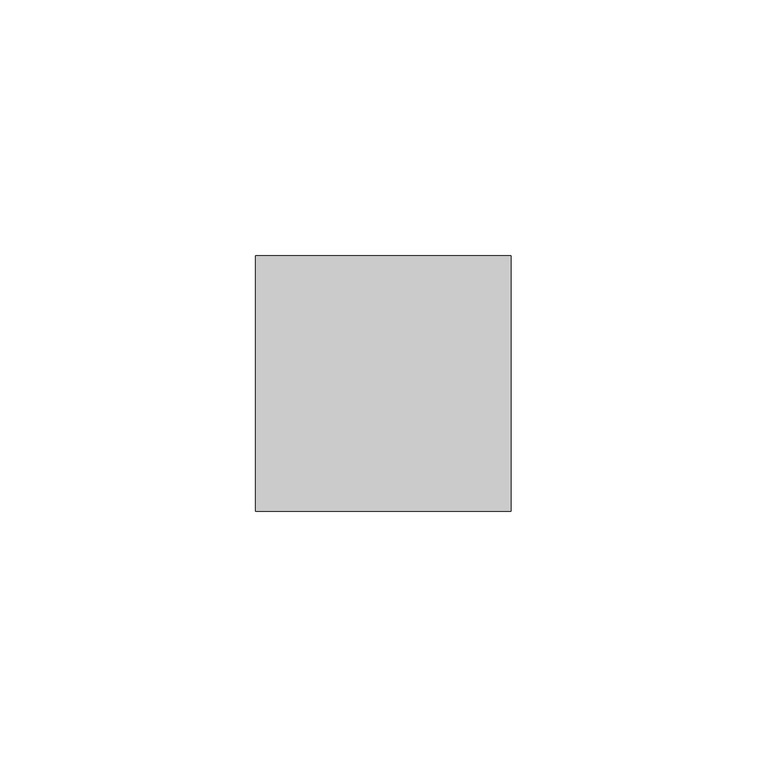
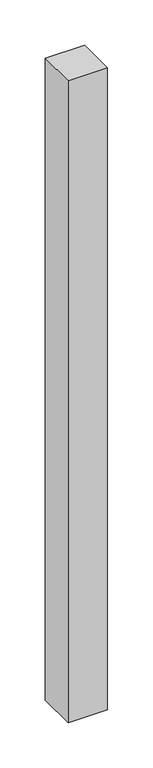
"""IFC4 building model written with IfcOpenShell, lengths in millimetres: member geometry."""

from ifc_helpers import new_model, si_unit, frame, origin, place, context, project, spatial, polyline, outline, extrude, source, transform, mapped, element, save


def member_59f70353(model_context):
    return source(origin(), model_context, "Body", "SweptSolid", [
        extrude(outline(polyline([(25.0, 25.0), (25.0, -25.0), (-25.0, -25.0), (-25.0, 25.0), (25.0, 25.0)])), frame((0.0, 0.0, -863.3333333), z_axis=(0.0, 0.0, 1.0), x_axis=(1.0, 0.0, 0.0)), (0.0, 0.0, 1.0), 863.3333333),
    ])


if __name__ == "__main__":
    model = new_model("IFC4")
    model_context = context("Model", 3, world=origin())
    ifc_project = project(units=[si_unit("LENGTHUNIT", "METRE", prefix="MILLI")], contexts=[model_context])
    site = spatial("IfcSite", under=ifc_project)
    building = spatial("IfcBuilding", under=site)
    placement = place(None, origin())
    member_shape = member_59f70353(model_context)
    element("IfcMember", 1, at=placement, inside=building, context=model_context, shape_type="MappedRepresentation", body=[
        mapped(member_shape, transform((0.0, 0.0, 0.0), x_axis=(1.0, 0.0, 0.0), y_axis=(0.0, 1.0, 0.0), z_axis=(0.0, 0.0, 1.0))),
    ])
    save(model, "model.ifc")
